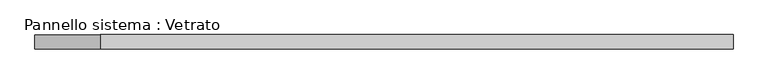
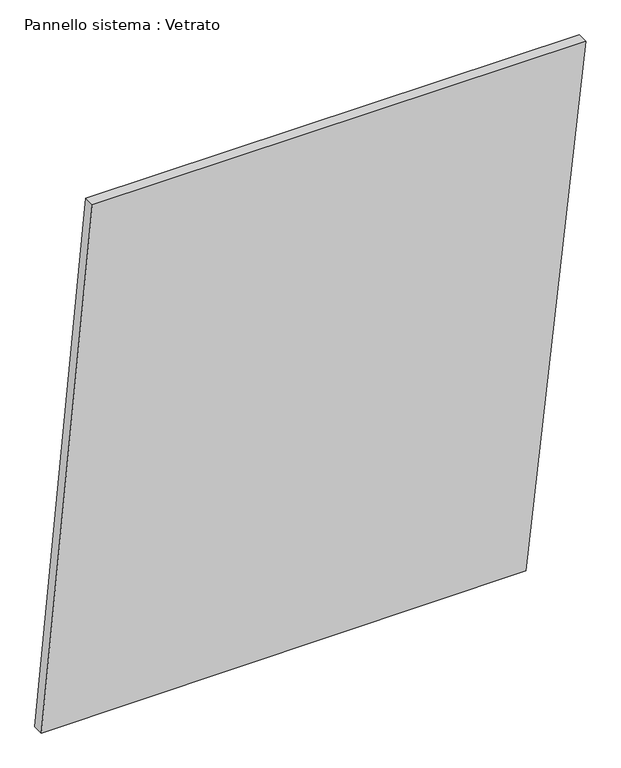
"""IFC4 building model written with IfcOpenShell, lengths in millimetres: plate geometry, Pannello sistema : Vetrato."""

import ifcopenshell
import ifcopenshell.guid

model = None  # the IFC model being written
_history = None  # IfcOwnerHistory: only IFC2X3 demands one
_inside = {}  # id of a spatial element -> (the spatial element, [elements in it])
_under = {}  # id of a project, library or spatial element -> (it, [spatial elements below it])
_declared = {}  # id of a project -> (the project, [libraries it declares])
_typed = {}  # id of a type object -> (the type object, [elements of that type])
_made_of = {}  # id of a material, layer set ... -> (it, [elements and type objects made of it])


def new_model(schema):
    """Start an empty IFC model of exactly this schema.

    Asked for "IFC4X3", IfcOpenShell would pick the latest addendum, in which some entities
    have other attributes; the version numbers below select the first issue.
    IFC2X3 requires an IfcOwnerHistory on every rooted entity: one is made here for all.
    """
    global model, _history
    if schema == "IFC4X3":
        model = ifcopenshell.file(schema_version=(4, 3, 0, 0))
    else:
        model = ifcopenshell.file(schema=schema)
    _inside.clear()
    _under.clear()
    _declared.clear()
    _typed.clear()
    _made_of.clear()
    _history = None
    if model.schema == "IFC2X3":
        org = make("IfcOrganization", Name="unknown")
        user = make(
            "IfcPersonAndOrganization",
            ThePerson=make("IfcPerson", FamilyName="unknown"),
            TheOrganization=org,
        )
        app = make(
            "IfcApplication",
            ApplicationDeveloper=org,
            Version="unknown",
            ApplicationFullName="unknown",
            ApplicationIdentifier="unknown",
        )
        _history = make(
            "IfcOwnerHistory",
            OwningUser=user,
            OwningApplication=app,
            ChangeAction="ADDED",
            CreationDate=0,
        )
    return model


def make(cls, **values):
    """One entity of the class cls with the attributes given. An attribute that is None is left unset."""
    return model.create_entity(
        cls, **{name: value for name, value in values.items() if value is not None}
    )


def rooted(cls, **values):
    """An entity with a GlobalId (a new one), such as an element, a storey or a relation."""
    return make(cls, GlobalId=ifcopenshell.guid.new(), OwnerHistory=_history, **values)


def si_unit(unit_type, name, prefix=None):
    """IfcSIUnit, for example si_unit("LENGTHUNIT", "METRE", prefix="MILLI")."""
    return make("IfcSIUnit", UnitType=unit_type, Prefix=prefix, Name=name)


def assignment(units):
    """IfcUnitAssignment: the units of a project."""
    return None if units is None else make("IfcUnitAssignment", Units=units)


def point(xyz):
    """IfcCartesianPoint."""
    return None if xyz is None else make("IfcCartesianPoint", Coordinates=xyz)


def direction(xyz):
    """IfcDirection."""
    return None if xyz is None else make("IfcDirection", DirectionRatios=xyz)


def frame(location, z_axis=None, x_axis=None):
    """IfcAxis2Placement3D, a coordinate frame: its origin and axes. An axis left out is left unset."""
    return make(
        "IfcAxis2Placement3D",
        Location=point(location),
        Axis=direction(z_axis),
        RefDirection=direction(x_axis),
    )


def origin():
    """The frame at (0, 0, 0) with its axes left unset."""
    return frame((0.0, 0.0, 0.0))


def place(relative_to, where):
    """IfcLocalPlacement: puts the frame where relative to a parent placement (None: the world)."""
    return make(
        "IfcLocalPlacement", PlacementRelTo=relative_to, RelativePlacement=where
    )


def context(
    kind, dimensions, precision=None, world=None, true_north=None, identifier=None
):
    """IfcGeometricRepresentationContext, for example the 3D "Model" context."""
    return make(
        "IfcGeometricRepresentationContext",
        ContextIdentifier=identifier,
        ContextType=kind,
        CoordinateSpaceDimension=dimensions,
        Precision=precision,
        WorldCoordinateSystem=world,
        TrueNorth=true_north,
    )


def project(units=None, contexts=None):
    """IfcProject with its units and contexts."""
    return rooted(
        "IfcProject",
        Name="project",
        RepresentationContexts=contexts,
        UnitsInContext=assignment(units),
    )


def spatial(cls, under=None, at=None, **own):
    """A site, building, storey or space (cls), placed at a placement, below another one or the project."""
    s = rooted(cls, ObjectPlacement=at, **own)
    if under is not None:
        _under.setdefault(under.id(), (under, []))[1].append(s)
    return s


def polyline(points):
    """IfcPolyline through the points."""
    return make("IfcPolyline", Points=[point(p) for p in points])


def outline(outer, holes=None, kind="AREA"):
    """IfcArbitraryClosedProfileDef: a profile drawn as a closed curve; with holes, ...WithVoids."""
    if holes is None:
        return make("IfcArbitraryClosedProfileDef", ProfileType=kind, OuterCurve=outer)
    return make(
        "IfcArbitraryProfileDefWithVoids",
        ProfileType=kind,
        OuterCurve=outer,
        InnerCurves=holes,
    )


def extrude(swept, where, along, depth):
    """IfcExtrudedAreaSolid: the profile swept, set in the frame where, extruded along a direction by depth."""
    return make(
        "IfcExtrudedAreaSolid",
        SweptArea=swept,
        Position=where,
        ExtrudedDirection=direction(along),
        Depth=depth,
    )


def shape(context_of_items, identifier, shape_type, items):
    """IfcShapeRepresentation: the items that make up one representation, for example the "Body"."""
    return make(
        "IfcShapeRepresentation",
        ContextOfItems=context_of_items,
        RepresentationIdentifier=identifier,
        RepresentationType=shape_type,
        Items=items,
    )


def source(mapping_origin, context_of_items, identifier, shape_type, items):
    """IfcRepresentationMap: a shape defined once, which mapped items show again and again."""
    return make(
        "IfcRepresentationMap",
        MappingOrigin=mapping_origin,
        MappedRepresentation=shape(context_of_items, identifier, shape_type, items),
    )


def transform(
    local_origin,
    x_axis=None,
    y_axis=None,
    z_axis=None,
    scale=None,
    scale2=None,
    scale3=None,
    uniform=True,
):
    """IfcCartesianTransformationOperator3D, or its non-uniform kind. x_axis, y_axis, z_axis: its Axis1, 2, 3."""
    if uniform:
        return make(
            "IfcCartesianTransformationOperator3D",
            Axis1=direction(x_axis),
            Axis2=direction(y_axis),
            LocalOrigin=point(local_origin),
            Scale=scale,
            Axis3=direction(z_axis),
        )
    return make(
        "IfcCartesianTransformationOperator3DnonUniform",
        Axis1=direction(x_axis),
        Axis2=direction(y_axis),
        LocalOrigin=point(local_origin),
        Scale=scale,
        Axis3=direction(z_axis),
        Scale2=scale2,
        Scale3=scale3,
    )


def mapped(mapping_source, mapping_target):
    """IfcMappedItem: shows the shape of a source again, moved by a transform."""
    return make(
        "IfcMappedItem", MappingSource=mapping_source, MappingTarget=mapping_target
    )


def made_of(thing, what):
    """Note that an element or type object is made of a material, layer set ...; save() writes the relation."""
    if what is not None:
        _made_of.setdefault(what.id(), (what, []))[1].append(thing)
    return thing


def element(
    cls,
    number,
    at=None,
    inside=None,
    cuts=None,
    type_object=None,
    material=None,
    context=None,
    identifier="Body",
    shape_type=None,
    held_by="IfcProductDefinitionShape",
    body=None,
    shapes=None,
    **own,
):
    """One element of the class cls, such as IfcWall. Its Tag is "e" and its number.

    at: its placement. inside: the storey or other place that contains it. cuts: it is an
    opening in that element (IfcRelVoidsElement). A single representation is given by context,
    identifier, shape_type and body (its items); several are given by shapes. held_by: the class
    of the entity that holds the representations. save() writes the other relations.
    """
    e = rooted(cls, Tag="e%d" % number, ObjectPlacement=at, **own)
    if body is not None:
        shapes = [shape(context, identifier, shape_type, body)]
    if shapes is not None:
        e.Representation = make(held_by, Representations=shapes)
    if inside is not None:
        _inside.setdefault(inside.id(), (inside, []))[1].append(e)
    if cuts is not None:
        rooted(
            "IfcRelVoidsElement", RelatingBuildingElement=cuts, RelatedOpeningElement=e
        )
    if type_object is not None:
        _typed.setdefault(type_object.id(), (type_object, []))[1].append(e)
    return made_of(e, material)


def aggregate(whole, parts):
    """IfcRelAggregates: a whole, such as a stair, and the parts it consists of."""
    return rooted("IfcRelAggregates", RelatingObject=whole, RelatedObjects=parts)


def save(model, path):
    """Write the relations noted so far, then the file.

    IfcRelAggregates (storeys below a building ...), IfcRelContainedInSpatialStructure (elements
    in a storey), IfcRelDefinesByType, IfcRelAssociatesMaterial and IfcRelDeclares: one each for
    every whole, place, type object, material and project.
    """
    for whole, parts in _under.values():
        aggregate(whole, parts)
    for where, things in _inside.values():
        rooted(
            "IfcRelContainedInSpatialStructure",
            RelatedElements=things,
            RelatingStructure=where,
        )
    for kind, things in _typed.values():
        rooted("IfcRelDefinesByType", RelatedObjects=things, RelatingType=kind)
    for what, things in _made_of.values():
        rooted("IfcRelAssociatesMaterial", RelatedObjects=things, RelatingMaterial=what)
    for by, libraries in _declared.values():
        rooted("IfcRelDeclares", RelatingContext=by, RelatedDefinitions=libraries)
    model.write(path)


def pannello_sistema_vetrato_ea77d2f4(model_context):
    return source(origin(), model_context, "Body", "SweptSolid", [
        extrude(outline(polyline([(0.0, -729.8456963), (4.8939051, 569.3870114), (1447.8994065, 729.8456963), (1447.8994071, -593.293739), (0.0, -729.8456963)])), frame((0.0, -15.0, 0.0), z_axis=(0.0, 1.0, 0.0), x_axis=(0.0, 0.0, 1.0)), (0.0, 0.0, 1.0), 30.0),
    ])


if __name__ == "__main__":
    model = new_model("IFC4")
    model_context = context("Model", 3, world=origin())
    ifc_project = project(units=[si_unit("LENGTHUNIT", "METRE", prefix="MILLI")], contexts=[model_context])
    site = spatial("IfcSite", under=ifc_project)
    building = spatial("IfcBuilding", under=site)
    placement = place(None, origin())
    pannello_sistema_vetrato_shape = pannello_sistema_vetrato_ea77d2f4(model_context)
    element("IfcPlate", 1, ObjectType="Pannello sistema : Vetrato", at=placement, inside=building, context=model_context, shape_type="MappedRepresentation", body=[
        mapped(pannello_sistema_vetrato_shape, transform((0.0, 0.0, 0.0), x_axis=(1.0, 0.0, 0.0), y_axis=(0.0, 1.0, 0.0), z_axis=(0.0, 0.0, 1.0))),
    ])
    save(model, "model.ifc")
